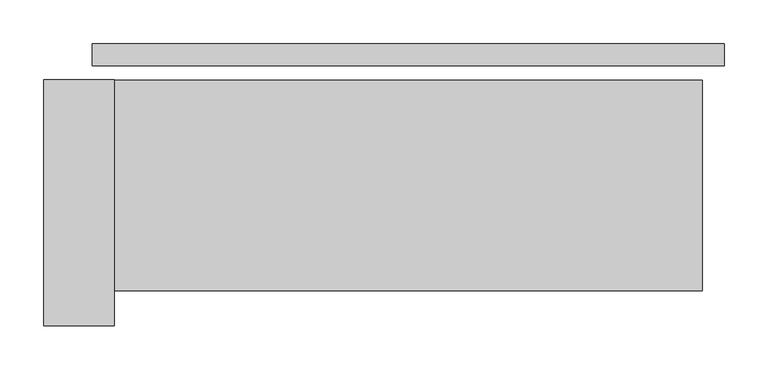
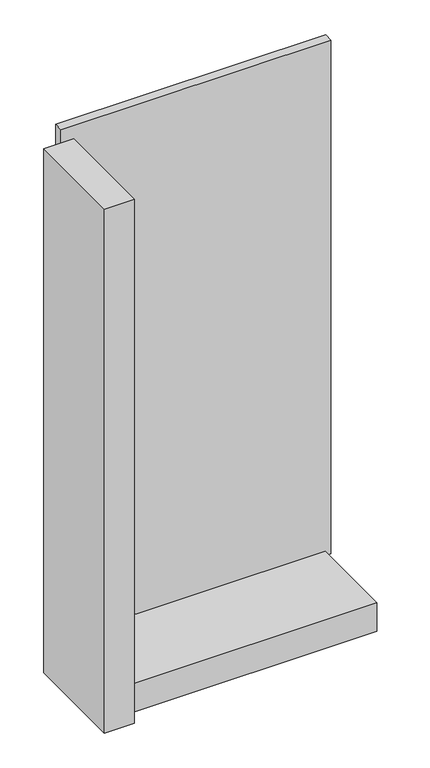
"""IFC4 building model written with IfcOpenShell, lengths in millimetres: plate geometry."""

from ifc_helpers import new_model, si_unit, frame, origin, origin_with_axes, place, context, project, spatial, polyline, outline, extrude, source, transform, mapped, element, save


def plate_2ae87582(model_context):
    return source(origin(), model_context, "Body", "SweptSolid", [
        extrude(outline(polyline([(360.0, 0.0), (360.0, -25.0), (-360.0, -25.0), (-360.0, 0.0), (360.0, 0.0)])), origin_with_axes(), (0.0, 0.0, 1.0), 1447.534293),
        extrude(outline(polyline([(-335.0, -41.0), (-335.0, -321.0), (-415.0, -321.0), (-415.0, -41.0), (-335.0, -41.0)])), frame((0.0, 0.0, -55.0), z_axis=(0.0, 0.0, 1.0), x_axis=(1.0, 0.0, 0.0)), (0.0, 0.0, 1.0), 1477.534293),
        extrude(outline(polyline([(335.0, -281.0), (-335.0, -281.0), (-335.0, -41.0), (335.0, -41.0), (335.0, -281.0)])), frame((0.0, 0.0, -55.0), z_axis=(0.0, 0.0, 1.0), x_axis=(1.0, 0.0, 0.0)), (0.0, 0.0, 1.0), 80.0),
    ])


if __name__ == "__main__":
    model = new_model("IFC4")
    model_context = context("Model", 3, world=origin())
    ifc_project = project(units=[si_unit("LENGTHUNIT", "METRE", prefix="MILLI")], contexts=[model_context])
    site = spatial("IfcSite", under=ifc_project)
    building = spatial("IfcBuilding", under=site)
    placement = place(None, origin())
    plate_shape = plate_2ae87582(model_context)
    element("IfcPlate", 1, at=placement, inside=building, context=model_context, shape_type="MappedRepresentation", body=[
        mapped(plate_shape, transform((0.0, 0.0, 0.0), x_axis=(1.0, 0.0, 0.0), y_axis=(0.0, 1.0, 0.0), z_axis=(0.0, 0.0, 1.0))),
    ])
    save(model, "model.ifc")
